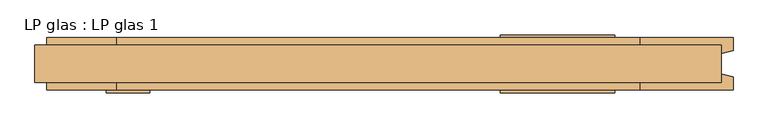
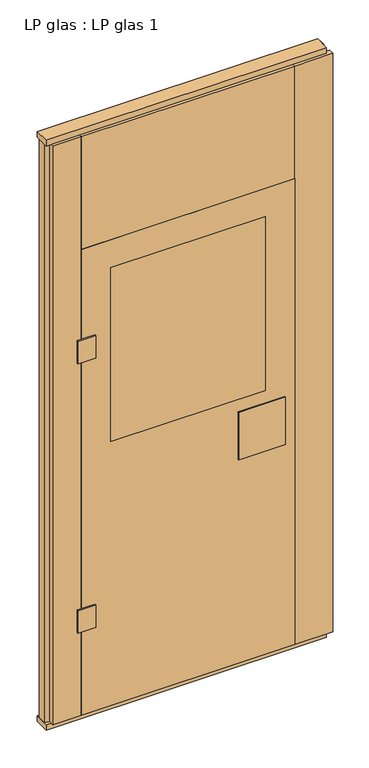
"""IFC4 building model written with IfcOpenShell, lengths in millimetres: door geometry, LP glas : LP glas 1."""

from ifc_helpers import new_model, si_unit, frame, origin, origin_with_axes, place, context, project, spatial, polyline, outline, extrude, source, transform, mapped, element, save


def lp_glas_lp_glas_1_74725180(model_context):
    return source(origin(), model_context, "Body", "SweptSolid", [
        extrude(outline(polyline([(-392.5, -45.0), (-392.5, -50.0), (-467.5, -50.0), (-467.5, -45.0), (-392.5, -45.0)])), frame((0.0, 0.0, 1600.0), z_axis=(0.0, 0.0, 1.0), x_axis=(1.0, 0.0, 0.0)), (0.0, 0.0, 1.0), 100.0),
        extrude(outline(polyline([(-392.5, -45.0), (-392.5, -50.0), (-467.5, -50.0), (-467.5, -45.0), (-392.5, -45.0)])), frame((0.0, 0.0, 400.0), z_axis=(0.0, 0.0, 1.0), x_axis=(1.0, 0.0, 0.0)), (0.0, 0.0, 1.0), 100.0),
        extrude(outline(polyline([(-325.0, -45.0), (-325.0, 45.0), (325.0, 45.0), (325.0, -45.0), (-325.0, -45.0)])), frame((0.0, 0.0, 1200.0), z_axis=(0.0, 0.0, 1.0), x_axis=(1.0, 0.0, 0.0)), (0.0, 0.0, 1.0), 775.0),
        extrude(outline(polyline([(210.0, -50.0), (210.0, -45.0), (407.0, -45.0), (407.0, -50.0), (210.0, -50.0)])), frame((0.0, 0.0, 934.0), z_axis=(0.0, 0.0, 1.0), x_axis=(1.0, 0.0, 0.0)), (0.0, 0.0, 1.0), 212.0),
        extrude(outline(polyline([(210.0, 45.0), (210.0, 50.0), (407.0, 50.0), (407.0, 45.0), (210.0, 45.0)])), frame((0.0, 0.0, 934.0), z_axis=(0.0, 0.0, 1.0), x_axis=(1.0, 0.0, 0.0)), (0.0, 0.0, 1.0), 212.0),
        extrude(outline(polyline([(25.0, -450.0), (25.0, 450.0), (2100.0, 450.0), (2100.0, -450.0), (25.0, -450.0)]), holes=[polyline([(1200.0, 325.0), (1200.0, -325.0), (1975.0, -325.0), (1975.0, 325.0), (1200.0, 325.0)])]), frame((0.0, -45.0, 0.0), z_axis=(0.0, 1.0, 0.0), x_axis=(0.0, 0.0, 1.0)), (0.0, 0.0, 1.0), 90.0),
        extrude(outline(polyline([(590.0, 32.0), (590.0, -32.0), (-590.0, -32.0), (-590.0, 32.0), (590.0, 32.0)])), origin_with_axes(), (0.0, 0.0, 1.0), 25.0),
        extrude(outline(polyline([(590.0, 32.0), (590.0, -32.0), (-590.0, -32.0), (-590.0, 32.0), (590.0, 32.0)])), frame((0.0, 0.0, 2602.0), z_axis=(0.0, 0.0, 1.0), x_axis=(1.0, 0.0, 0.0)), (0.0, 0.0, 1.0), 25.0),
        extrude(outline(polyline([(-570.0, -45.0), (-570.0, -22.9993165), (-590.0, -17.6401049), (-590.0, 17.6401049), (-570.0, 22.9993165), (-570.0, 45.0), (-450.0, 45.0), (-450.0, -45.0), (-570.0, -45.0)])), frame((0.0, 0.0, 25.0), z_axis=(0.0, 0.0, 1.0), x_axis=(1.0, 0.0, 0.0)), (0.0, 0.0, 1.0), 2577.0),
        extrude(outline(polyline([(450.0, -45.0), (450.0, 45.0), (609.9999999, 45.0), (609.9999999, 22.9993165), (589.9999999, 17.6401049), (589.9999999, -17.6401049), (609.9999999, -22.9993165), (609.9999999, -45.0), (450.0, -45.0)])), frame((0.0, 0.0, 25.0), z_axis=(0.0, 0.0, 1.0), x_axis=(1.0, 0.0, 0.0)), (0.0, 0.0, 1.0), 2577.0),
        extrude(outline(polyline([(450.0, 45.0), (450.0, -45.0), (-450.0, -45.0), (-450.0, 45.0), (450.0, 45.0)])), frame((0.0, 0.0, 2100.0), z_axis=(0.0, 0.0, 1.0), x_axis=(1.0, 0.0, 0.0)), (0.0, 0.0, 1.0), 502.0),
    ])


if __name__ == "__main__":
    model = new_model("IFC4")
    model_context = context("Model", 3, world=origin())
    ifc_project = project(units=[si_unit("LENGTHUNIT", "METRE", prefix="MILLI")], contexts=[model_context])
    site = spatial("IfcSite", under=ifc_project)
    building = spatial("IfcBuilding", under=site)
    placement = place(None, origin())
    lp_glas_lp_glas_1_shape = lp_glas_lp_glas_1_74725180(model_context)
    element("IfcDoor", 1, ObjectType="LP glas : LP glas 1", at=placement, inside=building, context=model_context, shape_type="MappedRepresentation", body=[
        mapped(lp_glas_lp_glas_1_shape, transform((0.0, 0.0, 0.0), x_axis=(1.0, 0.0, 0.0), y_axis=(0.0, 1.0, 0.0), z_axis=(0.0, 0.0, 1.0))),
    ])
    save(model, "model.ifc")
